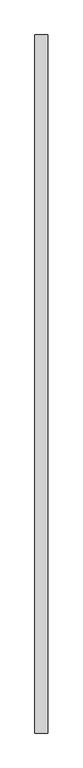
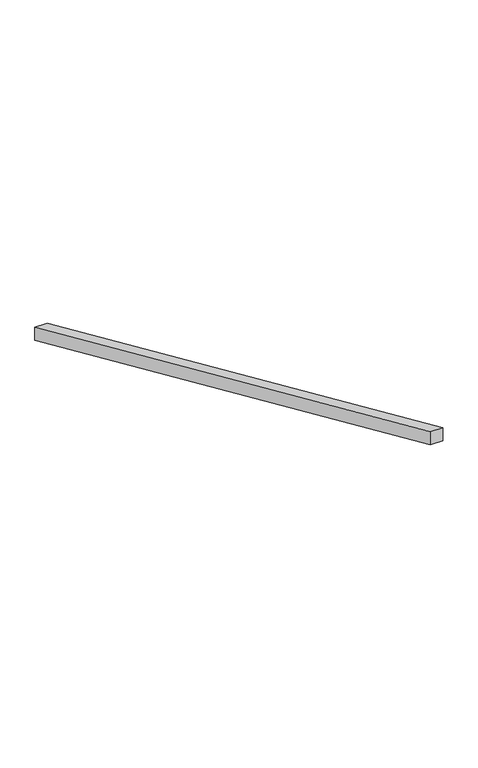
"""IFC4 building model written with IfcOpenShell, lengths in millimetres: beam geometry."""

import ifcopenshell
import ifcopenshell.guid

model = None  # the IFC model being written
_history = None  # IfcOwnerHistory: only IFC2X3 demands one
_inside = {}  # id of a spatial element -> (the spatial element, [elements in it])
_under = {}  # id of a project, library or spatial element -> (it, [spatial elements below it])
_declared = {}  # id of a project -> (the project, [libraries it declares])
_typed = {}  # id of a type object -> (the type object, [elements of that type])
_made_of = {}  # id of a material, layer set ... -> (it, [elements and type objects made of it])


def new_model(schema):
    """Start an empty IFC model of exactly this schema.

    Asked for "IFC4X3", IfcOpenShell would pick the latest addendum, in which some entities
    have other attributes; the version numbers below select the first issue.
    IFC2X3 requires an IfcOwnerHistory on every rooted entity: one is made here for all.
    """
    global model, _history
    if schema == "IFC4X3":
        model = ifcopenshell.file(schema_version=(4, 3, 0, 0))
    else:
        model = ifcopenshell.file(schema=schema)
    _inside.clear()
    _under.clear()
    _declared.clear()
    _typed.clear()
    _made_of.clear()
    _history = None
    if model.schema == "IFC2X3":
        org = make("IfcOrganization", Name="unknown")
        user = make(
            "IfcPersonAndOrganization",
            ThePerson=make("IfcPerson", FamilyName="unknown"),
            TheOrganization=org,
        )
        app = make(
            "IfcApplication",
            ApplicationDeveloper=org,
            Version="unknown",
            ApplicationFullName="unknown",
            ApplicationIdentifier="unknown",
        )
        _history = make(
            "IfcOwnerHistory",
            OwningUser=user,
            OwningApplication=app,
            ChangeAction="ADDED",
            CreationDate=0,
        )
    return model


def make(cls, **values):
    """One entity of the class cls with the attributes given. An attribute that is None is left unset."""
    return model.create_entity(
        cls, **{name: value for name, value in values.items() if value is not None}
    )


def rooted(cls, **values):
    """An entity with a GlobalId (a new one), such as an element, a storey or a relation."""
    return make(cls, GlobalId=ifcopenshell.guid.new(), OwnerHistory=_history, **values)


def si_unit(unit_type, name, prefix=None):
    """IfcSIUnit, for example si_unit("LENGTHUNIT", "METRE", prefix="MILLI")."""
    return make("IfcSIUnit", UnitType=unit_type, Prefix=prefix, Name=name)


def assignment(units):
    """IfcUnitAssignment: the units of a project."""
    return None if units is None else make("IfcUnitAssignment", Units=units)


def point(xyz):
    """IfcCartesianPoint."""
    return None if xyz is None else make("IfcCartesianPoint", Coordinates=xyz)


def direction(xyz):
    """IfcDirection."""
    return None if xyz is None else make("IfcDirection", DirectionRatios=xyz)


def frame(location, z_axis=None, x_axis=None):
    """IfcAxis2Placement3D, a coordinate frame: its origin and axes. An axis left out is left unset."""
    return make(
        "IfcAxis2Placement3D",
        Location=point(location),
        Axis=direction(z_axis),
        RefDirection=direction(x_axis),
    )


def origin():
    """The frame at (0, 0, 0) with its axes left unset."""
    return frame((0.0, 0.0, 0.0))


def place(relative_to, where):
    """IfcLocalPlacement: puts the frame where relative to a parent placement (None: the world)."""
    return make(
        "IfcLocalPlacement", PlacementRelTo=relative_to, RelativePlacement=where
    )


def context(
    kind, dimensions, precision=None, world=None, true_north=None, identifier=None
):
    """IfcGeometricRepresentationContext, for example the 3D "Model" context."""
    return make(
        "IfcGeometricRepresentationContext",
        ContextIdentifier=identifier,
        ContextType=kind,
        CoordinateSpaceDimension=dimensions,
        Precision=precision,
        WorldCoordinateSystem=world,
        TrueNorth=true_north,
    )


def project(units=None, contexts=None):
    """IfcProject with its units and contexts."""
    return rooted(
        "IfcProject",
        Name="project",
        RepresentationContexts=contexts,
        UnitsInContext=assignment(units),
    )


def spatial(cls, under=None, at=None, **own):
    """A site, building, storey or space (cls), placed at a placement, below another one or the project."""
    s = rooted(cls, ObjectPlacement=at, **own)
    if under is not None:
        _under.setdefault(under.id(), (under, []))[1].append(s)
    return s


def polyline(points):
    """IfcPolyline through the points."""
    return make("IfcPolyline", Points=[point(p) for p in points])


def outline(outer, holes=None, kind="AREA"):
    """IfcArbitraryClosedProfileDef: a profile drawn as a closed curve; with holes, ...WithVoids."""
    if holes is None:
        return make("IfcArbitraryClosedProfileDef", ProfileType=kind, OuterCurve=outer)
    return make(
        "IfcArbitraryProfileDefWithVoids",
        ProfileType=kind,
        OuterCurve=outer,
        InnerCurves=holes,
    )


def extrude(swept, where, along, depth):
    """IfcExtrudedAreaSolid: the profile swept, set in the frame where, extruded along a direction by depth."""
    return make(
        "IfcExtrudedAreaSolid",
        SweptArea=swept,
        Position=where,
        ExtrudedDirection=direction(along),
        Depth=depth,
    )


def shape(context_of_items, identifier, shape_type, items):
    """IfcShapeRepresentation: the items that make up one representation, for example the "Body"."""
    return make(
        "IfcShapeRepresentation",
        ContextOfItems=context_of_items,
        RepresentationIdentifier=identifier,
        RepresentationType=shape_type,
        Items=items,
    )


def source(mapping_origin, context_of_items, identifier, shape_type, items):
    """IfcRepresentationMap: a shape defined once, which mapped items show again and again."""
    return make(
        "IfcRepresentationMap",
        MappingOrigin=mapping_origin,
        MappedRepresentation=shape(context_of_items, identifier, shape_type, items),
    )


def transform(
    local_origin,
    x_axis=None,
    y_axis=None,
    z_axis=None,
    scale=None,
    scale2=None,
    scale3=None,
    uniform=True,
):
    """IfcCartesianTransformationOperator3D, or its non-uniform kind. x_axis, y_axis, z_axis: its Axis1, 2, 3."""
    if uniform:
        return make(
            "IfcCartesianTransformationOperator3D",
            Axis1=direction(x_axis),
            Axis2=direction(y_axis),
            LocalOrigin=point(local_origin),
            Scale=scale,
            Axis3=direction(z_axis),
        )
    return make(
        "IfcCartesianTransformationOperator3DnonUniform",
        Axis1=direction(x_axis),
        Axis2=direction(y_axis),
        LocalOrigin=point(local_origin),
        Scale=scale,
        Axis3=direction(z_axis),
        Scale2=scale2,
        Scale3=scale3,
    )


def mapped(mapping_source, mapping_target):
    """IfcMappedItem: shows the shape of a source again, moved by a transform."""
    return make(
        "IfcMappedItem", MappingSource=mapping_source, MappingTarget=mapping_target
    )


def made_of(thing, what):
    """Note that an element or type object is made of a material, layer set ...; save() writes the relation."""
    if what is not None:
        _made_of.setdefault(what.id(), (what, []))[1].append(thing)
    return thing


def element(
    cls,
    number,
    at=None,
    inside=None,
    cuts=None,
    type_object=None,
    material=None,
    context=None,
    identifier="Body",
    shape_type=None,
    held_by="IfcProductDefinitionShape",
    body=None,
    shapes=None,
    **own,
):
    """One element of the class cls, such as IfcWall. Its Tag is "e" and its number.

    at: its placement. inside: the storey or other place that contains it. cuts: it is an
    opening in that element (IfcRelVoidsElement). A single representation is given by context,
    identifier, shape_type and body (its items); several are given by shapes. held_by: the class
    of the entity that holds the representations. save() writes the other relations.
    """
    e = rooted(cls, Tag="e%d" % number, ObjectPlacement=at, **own)
    if body is not None:
        shapes = [shape(context, identifier, shape_type, body)]
    if shapes is not None:
        e.Representation = make(held_by, Representations=shapes)
    if inside is not None:
        _inside.setdefault(inside.id(), (inside, []))[1].append(e)
    if cuts is not None:
        rooted(
            "IfcRelVoidsElement", RelatingBuildingElement=cuts, RelatedOpeningElement=e
        )
    if type_object is not None:
        _typed.setdefault(type_object.id(), (type_object, []))[1].append(e)
    return made_of(e, material)


def aggregate(whole, parts):
    """IfcRelAggregates: a whole, such as a stair, and the parts it consists of."""
    return rooted("IfcRelAggregates", RelatingObject=whole, RelatedObjects=parts)


def save(model, path):
    """Write the relations noted so far, then the file.

    IfcRelAggregates (storeys below a building ...), IfcRelContainedInSpatialStructure (elements
    in a storey), IfcRelDefinesByType, IfcRelAssociatesMaterial and IfcRelDeclares: one each for
    every whole, place, type object, material and project.
    """
    for whole, parts in _under.values():
        aggregate(whole, parts)
    for where, things in _inside.values():
        rooted(
            "IfcRelContainedInSpatialStructure",
            RelatedElements=things,
            RelatingStructure=where,
        )
    for kind, things in _typed.values():
        rooted("IfcRelDefinesByType", RelatedObjects=things, RelatingType=kind)
    for what, things in _made_of.values():
        rooted("IfcRelAssociatesMaterial", RelatedObjects=things, RelatingMaterial=what)
    for by, libraries in _declared.values():
        rooted("IfcRelDeclares", RelatingContext=by, RelatedDefinitions=libraries)
    model.write(path)


def beam_ddbde225(model_context):
    return source(origin(), model_context, "Body", "SweptSolid", [
        extrude(outline(polyline([(0.0, 2553.7691102), (5490.0, 109.4636279), (5490.0, 0.0), (0.0, 2444.3054823), (0.0, 2553.7691102)])), frame((0.0, 0.0, 0.0), z_axis=(1.0, 0.0, 0.0), x_axis=(0.0, 1.0, 0.0)), (0.0, 0.0, 1.0), 100.0),
    ])


if __name__ == "__main__":
    model = new_model("IFC4")
    model_context = context("Model", 3, world=origin())
    ifc_project = project(units=[si_unit("LENGTHUNIT", "METRE", prefix="MILLI")], contexts=[model_context])
    site = spatial("IfcSite", under=ifc_project)
    building = spatial("IfcBuilding", under=site)
    placement = place(None, origin())
    beam_shape = beam_ddbde225(model_context)
    element("IfcBeam", 1, at=placement, inside=building, context=model_context, shape_type="MappedRepresentation", body=[
        mapped(beam_shape, transform((0.0, 0.0, 0.0), x_axis=(1.0, 0.0, 0.0), y_axis=(0.0, 1.0, 0.0), z_axis=(0.0, 0.0, 1.0))),
    ])
    save(model, "model.ifc")
